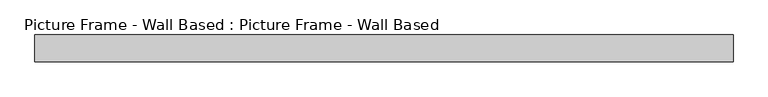
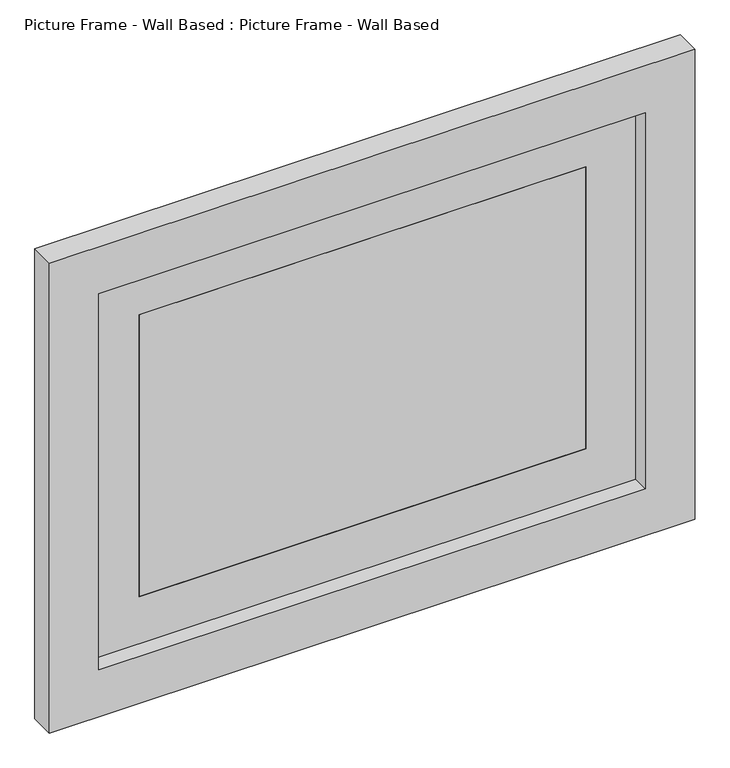
"""IFC4 building model written with IfcOpenShell, lengths in millimetres: proxy geometry, Picture Frame - Wall Based : Picture Frame - Wall Based."""

from ifc_helpers import new_model, si_unit, frame, origin, place, context, project, spatial, polyline, outline, extrude, source, transform, mapped, element, save


def picture_frame_wall_based_picture_frame_wall_based_c60c979c(model_context):
    return source(origin(), model_context, "Body", "SweptSolid", [
        extrude(outline(polyline([(1358.2323307, 558.8), (2171.0323307, 558.8), (2171.0323307, -558.8), (1358.2323307, -558.8), (1358.2323307, 558.8)]), holes=[polyline([(1459.8323307, 457.2), (1459.8323307, -457.2), (2069.4323307, -457.2), (2069.4323307, 457.2), (1459.8323307, 457.2)])]), frame((0.0, -107.4208333, 0.0), z_axis=(0.0, 1.0, 0.0), x_axis=(0.0, 0.0, 1.0)), (0.0, 0.0, 1.0), 16.9333333),
        extrude(outline(polyline([(1256.6323307, 660.4), (2272.6323307, 660.4), (2272.6323307, -660.4), (1256.6323307, -660.4), (1256.6323307, 660.4)]), holes=[polyline([(1358.2323307, -558.8), (2171.0323307, -558.8), (2171.0323307, 558.8), (1358.2323307, 558.8), (1358.2323307, -558.8)])]), frame((0.0, -141.2875, 0.0), z_axis=(0.0, 1.0, 0.0), x_axis=(0.0, 0.0, 1.0)), (0.0, 0.0, 1.0), 50.8),
        extrude(outline(polyline([(457.2, -107.4208333), (-457.2, -107.4208333), (-457.2, -90.4875), (457.2, -90.4875), (457.2, -107.4208333)])), frame((0.0, 0.0, 1459.8323307), z_axis=(0.0, 0.0, 1.0), x_axis=(1.0, 0.0, 0.0)), (0.0, 0.0, 1.0), 609.6),
    ])


if __name__ == "__main__":
    model = new_model("IFC4")
    model_context = context("Model", 3, world=origin())
    ifc_project = project(units=[si_unit("LENGTHUNIT", "METRE", prefix="MILLI")], contexts=[model_context])
    site = spatial("IfcSite", under=ifc_project)
    building = spatial("IfcBuilding", under=site)
    placement = place(None, origin())
    picture_frame_wall_based_picture_frame_wall_based_shape = picture_frame_wall_based_picture_frame_wall_based_c60c979c(model_context)
    element("IfcBuildingElementProxy", 1, Name="Picture Frame - Wall Based : Picture Frame - Wall Based", ObjectType="Picture Frame - Wall Based : Picture Frame - Wall Based", at=placement, inside=building, context=model_context, shape_type="MappedRepresentation", body=[
        mapped(picture_frame_wall_based_picture_frame_wall_based_shape, transform((0.0, 0.0, 0.0), x_axis=(1.0, 0.0, 0.0), y_axis=(0.0, 1.0, 0.0), z_axis=(0.0, 0.0, 1.0))),
    ])
    save(model, "model.ifc")
